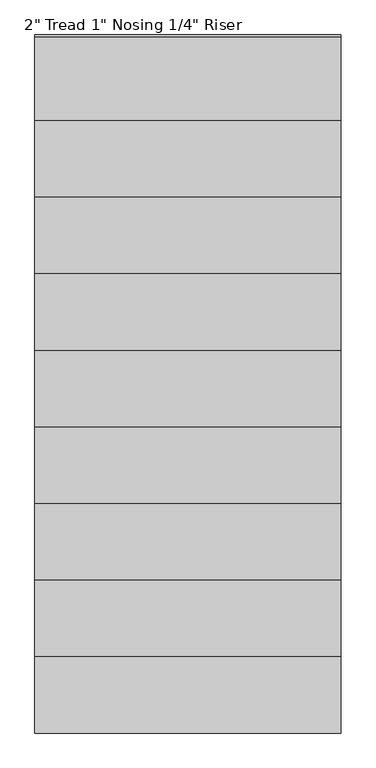
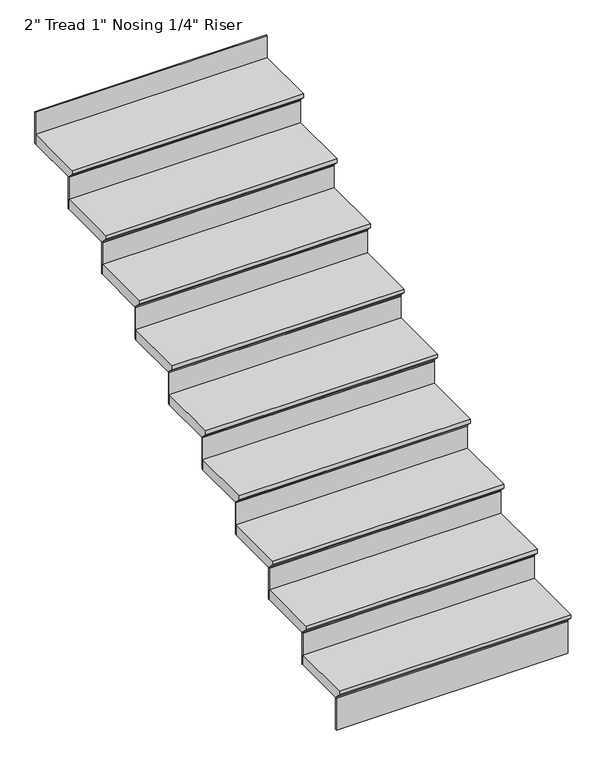
"""IFC4 building model written with IfcOpenShell, lengths in millimetres: stair flight geometry."""

from ifc_helpers import new_model, si_unit, frame, origin, place, context, project, spatial, polyline, outline, extrude, source, transform, mapped, element, save


def stair_flight_75342284(model_context):
    return source(origin(), model_context, "Body", "SweptSolid", [
        extrude(outline(polyline([(-14041.7917051, 1788.16), (-13736.9917051, 1788.16), (-13736.9917051, 1737.36), (-14016.3917051, 1737.36), (-14016.3917051, 1743.71), (-14041.7917051, 1769.11), (-14041.7917051, 1788.16)])), frame((52569.6760627, 0.0, 0.0), z_axis=(1.0, 0.0, 0.0), x_axis=(0.0, 1.0, 0.0)), (0.0, 0.0, 1.0), 1117.6),
        extrude(outline(polyline([(53687.2760627, -14010.0417051), (53687.2760627, -14016.3917051), (52569.6760627, -14016.3917051), (52569.6760627, -14010.0417051), (53687.2760627, -14010.0417051)])), frame((0.0, 0.0, 1574.8), z_axis=(0.0, 0.0, 1.0), x_axis=(1.0, 0.0, 0.0)), (0.0, 0.0, 1.0), 162.56),
        extrude(outline(polyline([(53687.2760627, -13730.6417051), (53687.2760627, -13736.9917051), (52569.6760627, -13736.9917051), (52569.6760627, -13730.6417051), (53687.2760627, -13730.6417051)])), frame((0.0, 0.0, 1737.36), z_axis=(0.0, 0.0, 1.0), x_axis=(1.0, 0.0, 0.0)), (0.0, 0.0, 1.0), 162.56),
        extrude(outline(polyline([(-13762.3917051, 1950.72), (-13457.5917051, 1950.72), (-13457.5917051, 1899.92), (-13736.9917051, 1899.92), (-13736.9917051, 1906.27), (-13762.3917051, 1931.67), (-13762.3917051, 1950.72)])), frame((52569.6760627, 0.0, 0.0), z_axis=(1.0, 0.0, 0.0), x_axis=(0.0, 1.0, 0.0)), (0.0, 0.0, 1.0), 1117.6),
        extrude(outline(polyline([(53687.2760627, -13451.2417051), (53687.2760627, -13457.5917051), (52569.6760627, -13457.5917051), (52569.6760627, -13451.2417051), (53687.2760627, -13451.2417051)])), frame((0.0, 0.0, 1899.92), z_axis=(0.0, 0.0, 1.0), x_axis=(1.0, 0.0, 0.0)), (0.0, 0.0, 1.0), 162.56),
        extrude(outline(polyline([(-13482.9917051, 2113.28), (-13178.1917051, 2113.28), (-13178.1917051, 2062.48), (-13457.5917051, 2062.48), (-13457.5917051, 2068.83), (-13482.9917051, 2094.23), (-13482.9917051, 2113.28)])), frame((52569.6760627, 0.0, 0.0), z_axis=(1.0, 0.0, 0.0), x_axis=(0.0, 1.0, 0.0)), (0.0, 0.0, 1.0), 1117.6),
        extrude(outline(polyline([(53687.2760627, -13171.8417051), (53687.2760627, -13178.1917051), (52569.6760627, -13178.1917051), (52569.6760627, -13171.8417051), (53687.2760627, -13171.8417051)])), frame((0.0, 0.0, 2062.48), z_axis=(0.0, 0.0, 1.0), x_axis=(1.0, 0.0, 0.0)), (0.0, 0.0, 1.0), 162.56),
        extrude(outline(polyline([(-13203.5917051, 2275.84), (-12898.7917051, 2275.84), (-12898.7917051, 2225.04), (-13178.1917051, 2225.04), (-13178.1917051, 2231.39), (-13203.5917051, 2256.79), (-13203.5917051, 2275.84)])), frame((52569.6760627, 0.0, 0.0), z_axis=(1.0, 0.0, 0.0), x_axis=(0.0, 1.0, 0.0)), (0.0, 0.0, 1.0), 1117.6),
        extrude(outline(polyline([(53687.2760627, -12892.4417051), (53687.2760627, -12898.7917051), (52569.6760627, -12898.7917051), (52569.6760627, -12892.4417051), (53687.2760627, -12892.4417051)])), frame((0.0, 0.0, 2225.04), z_axis=(0.0, 0.0, 1.0), x_axis=(1.0, 0.0, 0.0)), (0.0, 0.0, 1.0), 162.56),
        extrude(outline(polyline([(-12924.1917051, 2438.4), (-12619.3917051, 2438.4), (-12619.3917051, 2387.6), (-12898.7917051, 2387.6), (-12898.7917051, 2393.95), (-12924.1917051, 2419.35), (-12924.1917051, 2438.4)])), frame((52569.6760627, 0.0, 0.0), z_axis=(1.0, 0.0, 0.0), x_axis=(0.0, 1.0, 0.0)), (0.0, 0.0, 1.0), 1117.6),
        extrude(outline(polyline([(53687.2760627, -12613.0417051), (53687.2760627, -12619.3917051), (52569.6760627, -12619.3917051), (52569.6760627, -12613.0417051), (53687.2760627, -12613.0417051)])), frame((0.0, 0.0, 2387.6), z_axis=(0.0, 0.0, 1.0), x_axis=(1.0, 0.0, 0.0)), (0.0, 0.0, 1.0), 162.56),
        extrude(outline(polyline([(-12644.7917051, 2600.96), (-12339.9917051, 2600.96), (-12339.9917051, 2550.16), (-12619.3917051, 2550.16), (-12619.3917051, 2556.51), (-12644.7917051, 2581.91), (-12644.7917051, 2600.96)])), frame((52569.6760627, 0.0, 0.0), z_axis=(1.0, 0.0, 0.0), x_axis=(0.0, 1.0, 0.0)), (0.0, 0.0, 1.0), 1117.6),
        extrude(outline(polyline([(53687.2760627, -12333.6417051), (53687.2760627, -12339.9917051), (52569.6760627, -12339.9917051), (52569.6760627, -12333.6417051), (53687.2760627, -12333.6417051)])), frame((0.0, 0.0, 2550.16), z_axis=(0.0, 0.0, 1.0), x_axis=(1.0, 0.0, 0.0)), (0.0, 0.0, 1.0), 162.56),
        extrude(outline(polyline([(-12365.3917051, 2763.52), (-12060.5917051, 2763.52), (-12060.5917051, 2712.72), (-12339.9917051, 2712.72), (-12339.9917051, 2719.07), (-12365.3917051, 2744.47), (-12365.3917051, 2763.52)])), frame((52569.6760627, 0.0, 0.0), z_axis=(1.0, 0.0, 0.0), x_axis=(0.0, 1.0, 0.0)), (0.0, 0.0, 1.0), 1117.6),
        extrude(outline(polyline([(53687.2760627, -12054.2417051), (53687.2760627, -12060.5917051), (52569.6760627, -12060.5917051), (52569.6760627, -12054.2417051), (53687.2760627, -12054.2417051)])), frame((0.0, 0.0, 2712.72), z_axis=(0.0, 0.0, 1.0), x_axis=(1.0, 0.0, 0.0)), (0.0, 0.0, 1.0), 162.56),
        extrude(outline(polyline([(-12085.9917051, 2926.08), (-11781.1917051, 2926.08), (-11781.1917051, 2875.28), (-12060.5917051, 2875.28), (-12060.5917051, 2881.63), (-12085.9917051, 2907.03), (-12085.9917051, 2926.08)])), frame((52569.6760627, 0.0, 0.0), z_axis=(1.0, 0.0, 0.0), x_axis=(0.0, 1.0, 0.0)), (0.0, 0.0, 1.0), 1117.6),
        extrude(outline(polyline([(53687.2760627, -11774.8417051), (53687.2760627, -11781.1917051), (52569.6760627, -11781.1917051), (52569.6760627, -11774.8417051), (53687.2760627, -11774.8417051)])), frame((0.0, 0.0, 2875.28), z_axis=(0.0, 0.0, 1.0), x_axis=(1.0, 0.0, 0.0)), (0.0, 0.0, 1.0), 162.56),
        extrude(outline(polyline([(53687.2760627, -11495.4417051), (53687.2760627, -11501.7917051), (52569.6760627, -11501.7917051), (52569.6760627, -11495.4417051), (53687.2760627, -11495.4417051)])), frame((0.0, 0.0, 3037.84), z_axis=(0.0, 0.0, 1.0), x_axis=(1.0, 0.0, 0.0)), (0.0, 0.0, 1.0), 162.56),
        extrude(outline(polyline([(-11806.5917051, 3088.64), (-11501.7917051, 3088.64), (-11501.7917051, 3037.84), (-11781.1917051, 3037.84), (-11781.1917051, 3044.19), (-11806.5917051, 3069.59), (-11806.5917051, 3088.64)])), frame((52569.6760627, 0.0, 0.0), z_axis=(1.0, 0.0, 0.0), x_axis=(0.0, 1.0, 0.0)), (0.0, 0.0, 1.0), 1117.6),
    ])


if __name__ == "__main__":
    model = new_model("IFC4")
    model_context = context("Model", 3, world=origin())
    ifc_project = project(units=[si_unit("LENGTHUNIT", "METRE", prefix="MILLI")], contexts=[model_context])
    site = spatial("IfcSite", under=ifc_project)
    building = spatial("IfcBuilding", under=site)
    placement = place(None, origin())
    stair_flight_shape = stair_flight_75342284(model_context)
    element("IfcStairFlight", 1, ObjectType="2\" Tread 1\" Nosing 1/4\" Riser", at=placement, inside=building, context=model_context, shape_type="MappedRepresentation", body=[
        mapped(stair_flight_shape, transform((0.0, 0.0, 0.0), x_axis=(1.0, 0.0, 0.0), y_axis=(0.0, 1.0, 0.0), z_axis=(0.0, 0.0, 1.0))),
    ])
    save(model, "model.ifc")
